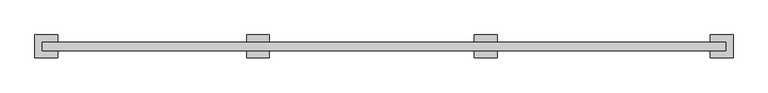
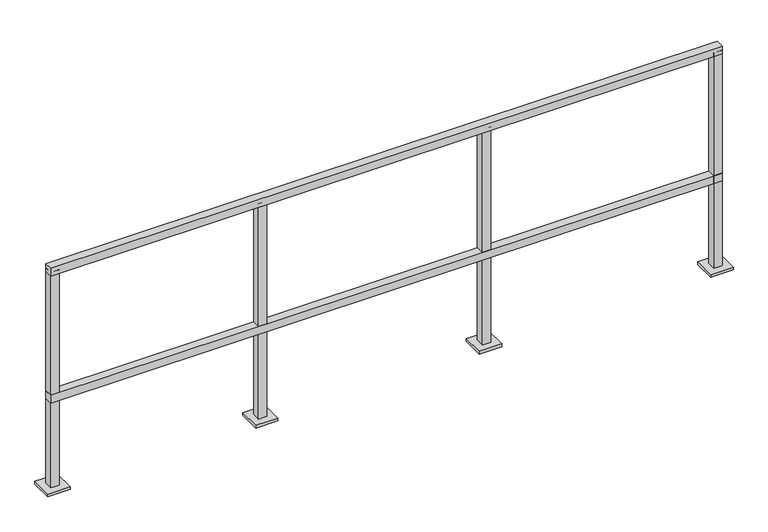
"""IFC4 building model written with IfcOpenShell, lengths in millimetres: railing geometry."""

from ifc_helpers import new_model, si_unit, frame, origin, origin_with_axes, place, context, project, spatial, polyline, outline, extrude, source, transform, mapped, element, save


def railing_61cca218(model_context):
    return source(origin(), model_context, "Body", "SweptSolid", [
        extrude(outline(polyline([(-13.8291097, -10011.444059), (-13.8291097, -9973.344059), (3034.1708903, -9973.344059), (3034.1708903, -10011.444059), (-13.8291097, -10011.444059)])), frame((0.0, 0.0, 1028.7), z_axis=(0.0, 0.0, 1.0), x_axis=(1.0, 0.0, 0.0)), (0.0, 0.0, 1.0), 38.1),
        extrude(outline(polyline([(-13.8291097, -10011.444059), (-13.8291097, -9973.344059), (3034.1708903, -9973.344059), (3034.1708903, -10011.444059), (-13.8291097, -10011.444059)])), frame((0.0, 0.0, 419.1), z_axis=(0.0, 0.0, 1.0), x_axis=(1.0, 0.0, 0.0)), (0.0, 0.0, 1.0), 38.1),
        extrude(outline(polyline([(1983.2811551, -9973.344059), (1983.2811551, -10011.444059), (1945.1811551, -10011.444059), (1945.1811551, -9973.344059), (1983.2811551, -9973.344059)]), holes=[polyline([(1946.7686551, -10009.856559), (1981.6936551, -10009.856559), (1981.6936551, -9974.931559), (1946.7686551, -9974.931559), (1946.7686551, -10009.856559)])]), frame((0.0, 0.0, 12.7), z_axis=(0.0, 0.0, 1.0), x_axis=(1.0, 0.0, 0.0)), (0.0, 0.0, 1.0), 1035.05),
        extrude(outline(polyline([(2015.0311551, -10043.194059), (1913.4311551, -10043.194059), (1913.4311551, -9941.594059), (2015.0311551, -9941.594059), (2015.0311551, -10043.194059)])), origin_with_axes(), (0.0, 0.0, 1.0), 12.7),
        extrude(outline(polyline([(967.2811551, -9973.344059), (967.2811551, -10011.444059), (929.1811551, -10011.444059), (929.1811551, -9973.344059), (967.2811551, -9973.344059)]), holes=[polyline([(930.7686551, -10009.856559), (965.6936551, -10009.856559), (965.6936551, -9974.931559), (930.7686551, -9974.931559), (930.7686551, -10009.856559)])]), frame((0.0, 0.0, 12.7), z_axis=(0.0, 0.0, 1.0), x_axis=(1.0, 0.0, 0.0)), (0.0, 0.0, 1.0), 1035.05),
        extrude(outline(polyline([(999.0311551, -10043.194059), (897.4311551, -10043.194059), (897.4311551, -9941.594059), (999.0311551, -9941.594059), (999.0311551, -10043.194059)])), origin_with_axes(), (0.0, 0.0, 1.0), 12.7),
        extrude(outline(polyline([(3034.2061551, -9973.344059), (3034.2061551, -10011.444059), (2996.1061551, -10011.444059), (2996.1061551, -9973.344059), (3034.2061551, -9973.344059)]), holes=[polyline([(2997.6936551, -10009.856559), (3032.6186551, -10009.856559), (3032.6186551, -9974.931559), (2997.6936551, -9974.931559), (2997.6936551, -10009.856559)])]), frame((0.0, 0.0, 12.7), z_axis=(0.0, 0.0, 1.0), x_axis=(1.0, 0.0, 0.0)), (0.0, 0.0, 1.0), 1035.05),
        extrude(outline(polyline([(3065.9561551, -10043.194059), (2964.3561551, -10043.194059), (2964.3561551, -9941.594059), (3065.9561551, -9941.594059), (3065.9561551, -10043.194059)])), origin_with_axes(), (0.0, 0.0, 1.0), 12.7),
        extrude(outline(polyline([(24.3061551, -9973.344059), (24.3061551, -10011.444059), (-13.7938449, -10011.444059), (-13.7938449, -9973.344059), (24.3061551, -9973.344059)]), holes=[polyline([(-12.2063449, -10009.856559), (22.7186551, -10009.856559), (22.7186551, -9974.931559), (-12.2063449, -9974.931559), (-12.2063449, -10009.856559)])]), frame((0.0, 0.0, 12.7), z_axis=(0.0, 0.0, 1.0), x_axis=(1.0, 0.0, 0.0)), (0.0, 0.0, 1.0), 1035.05),
        extrude(outline(polyline([(56.0561551, -10043.194059), (-45.5438449, -10043.194059), (-45.5438449, -9941.594059), (56.0561551, -9941.594059), (56.0561551, -10043.194059)])), origin_with_axes(), (0.0, 0.0, 1.0), 12.7),
    ])


if __name__ == "__main__":
    model = new_model("IFC4")
    model_context = context("Model", 3, world=origin())
    ifc_project = project(units=[si_unit("LENGTHUNIT", "METRE", prefix="MILLI")], contexts=[model_context])
    site = spatial("IfcSite", under=ifc_project)
    building = spatial("IfcBuilding", under=site)
    placement = place(None, origin())
    railing_shape = railing_61cca218(model_context)
    element("IfcRailing", 1, at=placement, inside=building, context=model_context, shape_type="MappedRepresentation", body=[
        mapped(railing_shape, transform((0.0, 0.0, 0.0), x_axis=(1.0, 0.0, 0.0), y_axis=(0.0, 1.0, 0.0), z_axis=(0.0, 0.0, 1.0))),
    ])
    save(model, "model.ifc")
